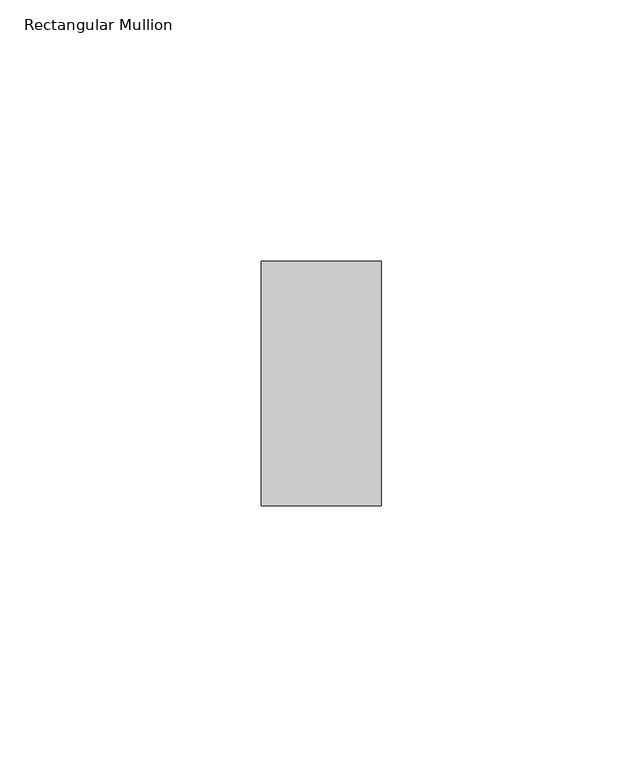
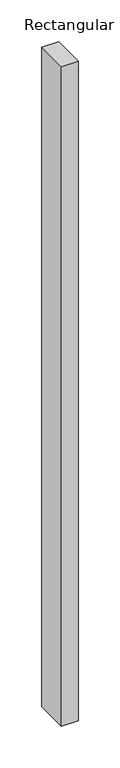
"""IFC4 building model written with IfcOpenShell, lengths in millimetres: member geometry, Rectangular Mullion."""

import ifcopenshell
import ifcopenshell.guid

model = None  # the IFC model being written
_history = None  # IfcOwnerHistory: only IFC2X3 demands one
_inside = {}  # id of a spatial element -> (the spatial element, [elements in it])
_under = {}  # id of a project, library or spatial element -> (it, [spatial elements below it])
_declared = {}  # id of a project -> (the project, [libraries it declares])
_typed = {}  # id of a type object -> (the type object, [elements of that type])
_made_of = {}  # id of a material, layer set ... -> (it, [elements and type objects made of it])


def new_model(schema):
    """Start an empty IFC model of exactly this schema.

    Asked for "IFC4X3", IfcOpenShell would pick the latest addendum, in which some entities
    have other attributes; the version numbers below select the first issue.
    IFC2X3 requires an IfcOwnerHistory on every rooted entity: one is made here for all.
    """
    global model, _history
    if schema == "IFC4X3":
        model = ifcopenshell.file(schema_version=(4, 3, 0, 0))
    else:
        model = ifcopenshell.file(schema=schema)
    _inside.clear()
    _under.clear()
    _declared.clear()
    _typed.clear()
    _made_of.clear()
    _history = None
    if model.schema == "IFC2X3":
        org = make("IfcOrganization", Name="unknown")
        user = make(
            "IfcPersonAndOrganization",
            ThePerson=make("IfcPerson", FamilyName="unknown"),
            TheOrganization=org,
        )
        app = make(
            "IfcApplication",
            ApplicationDeveloper=org,
            Version="unknown",
            ApplicationFullName="unknown",
            ApplicationIdentifier="unknown",
        )
        _history = make(
            "IfcOwnerHistory",
            OwningUser=user,
            OwningApplication=app,
            ChangeAction="ADDED",
            CreationDate=0,
        )
    return model


def make(cls, **values):
    """One entity of the class cls with the attributes given. An attribute that is None is left unset."""
    return model.create_entity(
        cls, **{name: value for name, value in values.items() if value is not None}
    )


def rooted(cls, **values):
    """An entity with a GlobalId (a new one), such as an element, a storey or a relation."""
    return make(cls, GlobalId=ifcopenshell.guid.new(), OwnerHistory=_history, **values)


def si_unit(unit_type, name, prefix=None):
    """IfcSIUnit, for example si_unit("LENGTHUNIT", "METRE", prefix="MILLI")."""
    return make("IfcSIUnit", UnitType=unit_type, Prefix=prefix, Name=name)


def assignment(units):
    """IfcUnitAssignment: the units of a project."""
    return None if units is None else make("IfcUnitAssignment", Units=units)


def point(xyz):
    """IfcCartesianPoint."""
    return None if xyz is None else make("IfcCartesianPoint", Coordinates=xyz)


def direction(xyz):
    """IfcDirection."""
    return None if xyz is None else make("IfcDirection", DirectionRatios=xyz)


def frame(location, z_axis=None, x_axis=None):
    """IfcAxis2Placement3D, a coordinate frame: its origin and axes. An axis left out is left unset."""
    return make(
        "IfcAxis2Placement3D",
        Location=point(location),
        Axis=direction(z_axis),
        RefDirection=direction(x_axis),
    )


def origin():
    """The frame at (0, 0, 0) with its axes left unset."""
    return frame((0.0, 0.0, 0.0))


def place(relative_to, where):
    """IfcLocalPlacement: puts the frame where relative to a parent placement (None: the world)."""
    return make(
        "IfcLocalPlacement", PlacementRelTo=relative_to, RelativePlacement=where
    )


def context(
    kind, dimensions, precision=None, world=None, true_north=None, identifier=None
):
    """IfcGeometricRepresentationContext, for example the 3D "Model" context."""
    return make(
        "IfcGeometricRepresentationContext",
        ContextIdentifier=identifier,
        ContextType=kind,
        CoordinateSpaceDimension=dimensions,
        Precision=precision,
        WorldCoordinateSystem=world,
        TrueNorth=true_north,
    )


def project(units=None, contexts=None):
    """IfcProject with its units and contexts."""
    return rooted(
        "IfcProject",
        Name="project",
        RepresentationContexts=contexts,
        UnitsInContext=assignment(units),
    )


def spatial(cls, under=None, at=None, **own):
    """A site, building, storey or space (cls), placed at a placement, below another one or the project."""
    s = rooted(cls, ObjectPlacement=at, **own)
    if under is not None:
        _under.setdefault(under.id(), (under, []))[1].append(s)
    return s


def polyline(points):
    """IfcPolyline through the points."""
    return make("IfcPolyline", Points=[point(p) for p in points])


def outline(outer, holes=None, kind="AREA"):
    """IfcArbitraryClosedProfileDef: a profile drawn as a closed curve; with holes, ...WithVoids."""
    if holes is None:
        return make("IfcArbitraryClosedProfileDef", ProfileType=kind, OuterCurve=outer)
    return make(
        "IfcArbitraryProfileDefWithVoids",
        ProfileType=kind,
        OuterCurve=outer,
        InnerCurves=holes,
    )


def extrude(swept, where, along, depth):
    """IfcExtrudedAreaSolid: the profile swept, set in the frame where, extruded along a direction by depth."""
    return make(
        "IfcExtrudedAreaSolid",
        SweptArea=swept,
        Position=where,
        ExtrudedDirection=direction(along),
        Depth=depth,
    )


def shape(context_of_items, identifier, shape_type, items):
    """IfcShapeRepresentation: the items that make up one representation, for example the "Body"."""
    return make(
        "IfcShapeRepresentation",
        ContextOfItems=context_of_items,
        RepresentationIdentifier=identifier,
        RepresentationType=shape_type,
        Items=items,
    )


def source(mapping_origin, context_of_items, identifier, shape_type, items):
    """IfcRepresentationMap: a shape defined once, which mapped items show again and again."""
    return make(
        "IfcRepresentationMap",
        MappingOrigin=mapping_origin,
        MappedRepresentation=shape(context_of_items, identifier, shape_type, items),
    )


def transform(
    local_origin,
    x_axis=None,
    y_axis=None,
    z_axis=None,
    scale=None,
    scale2=None,
    scale3=None,
    uniform=True,
):
    """IfcCartesianTransformationOperator3D, or its non-uniform kind. x_axis, y_axis, z_axis: its Axis1, 2, 3."""
    if uniform:
        return make(
            "IfcCartesianTransformationOperator3D",
            Axis1=direction(x_axis),
            Axis2=direction(y_axis),
            LocalOrigin=point(local_origin),
            Scale=scale,
            Axis3=direction(z_axis),
        )
    return make(
        "IfcCartesianTransformationOperator3DnonUniform",
        Axis1=direction(x_axis),
        Axis2=direction(y_axis),
        LocalOrigin=point(local_origin),
        Scale=scale,
        Axis3=direction(z_axis),
        Scale2=scale2,
        Scale3=scale3,
    )


def mapped(mapping_source, mapping_target):
    """IfcMappedItem: shows the shape of a source again, moved by a transform."""
    return make(
        "IfcMappedItem", MappingSource=mapping_source, MappingTarget=mapping_target
    )


def made_of(thing, what):
    """Note that an element or type object is made of a material, layer set ...; save() writes the relation."""
    if what is not None:
        _made_of.setdefault(what.id(), (what, []))[1].append(thing)
    return thing


def element(
    cls,
    number,
    at=None,
    inside=None,
    cuts=None,
    type_object=None,
    material=None,
    context=None,
    identifier="Body",
    shape_type=None,
    held_by="IfcProductDefinitionShape",
    body=None,
    shapes=None,
    **own,
):
    """One element of the class cls, such as IfcWall. Its Tag is "e" and its number.

    at: its placement. inside: the storey or other place that contains it. cuts: it is an
    opening in that element (IfcRelVoidsElement). A single representation is given by context,
    identifier, shape_type and body (its items); several are given by shapes. held_by: the class
    of the entity that holds the representations. save() writes the other relations.
    """
    e = rooted(cls, Tag="e%d" % number, ObjectPlacement=at, **own)
    if body is not None:
        shapes = [shape(context, identifier, shape_type, body)]
    if shapes is not None:
        e.Representation = make(held_by, Representations=shapes)
    if inside is not None:
        _inside.setdefault(inside.id(), (inside, []))[1].append(e)
    if cuts is not None:
        rooted(
            "IfcRelVoidsElement", RelatingBuildingElement=cuts, RelatedOpeningElement=e
        )
    if type_object is not None:
        _typed.setdefault(type_object.id(), (type_object, []))[1].append(e)
    return made_of(e, material)


def aggregate(whole, parts):
    """IfcRelAggregates: a whole, such as a stair, and the parts it consists of."""
    return rooted("IfcRelAggregates", RelatingObject=whole, RelatedObjects=parts)


def save(model, path):
    """Write the relations noted so far, then the file.

    IfcRelAggregates (storeys below a building ...), IfcRelContainedInSpatialStructure (elements
    in a storey), IfcRelDefinesByType, IfcRelAssociatesMaterial and IfcRelDeclares: one each for
    every whole, place, type object, material and project.
    """
    for whole, parts in _under.values():
        aggregate(whole, parts)
    for where, things in _inside.values():
        rooted(
            "IfcRelContainedInSpatialStructure",
            RelatedElements=things,
            RelatingStructure=where,
        )
    for kind, things in _typed.values():
        rooted("IfcRelDefinesByType", RelatedObjects=things, RelatingType=kind)
    for what, things in _made_of.values():
        rooted("IfcRelAssociatesMaterial", RelatedObjects=things, RelatingMaterial=what)
    for by, libraries in _declared.values():
        rooted("IfcRelDeclares", RelatingContext=by, RelatedDefinitions=libraries)
    model.write(path)


def rectangular_mullion_62ffda5d(model_context):
    return source(origin(), model_context, "Body", "SweptSolid", [
        extrude(outline(polyline([(0.0, -23.4), (-23.0, -23.4), (-23.0, 23.4), (0.0, 23.4), (0.0, -23.4)])), frame((0.0, 0.0, -961.5), z_axis=(0.0, 0.0, 1.0), x_axis=(1.0, 0.0, 0.0)), (0.0, 0.0, 1.0), 961.5),
    ])


if __name__ == "__main__":
    model = new_model("IFC4")
    model_context = context("Model", 3, world=origin())
    ifc_project = project(units=[si_unit("LENGTHUNIT", "METRE", prefix="MILLI")], contexts=[model_context])
    site = spatial("IfcSite", under=ifc_project)
    building = spatial("IfcBuilding", under=site)
    placement = place(None, origin())
    rectangular_mullion_shape = rectangular_mullion_62ffda5d(model_context)
    element("IfcMember", 1, ObjectType="Rectangular Mullion", at=placement, inside=building, context=model_context, shape_type="MappedRepresentation", body=[
        mapped(rectangular_mullion_shape, transform((0.0, 0.0, 0.0), x_axis=(1.0, 0.0, 0.0), y_axis=(0.0, 1.0, 0.0), z_axis=(0.0, 0.0, 1.0))),
    ])
    save(model, "model.ifc")
